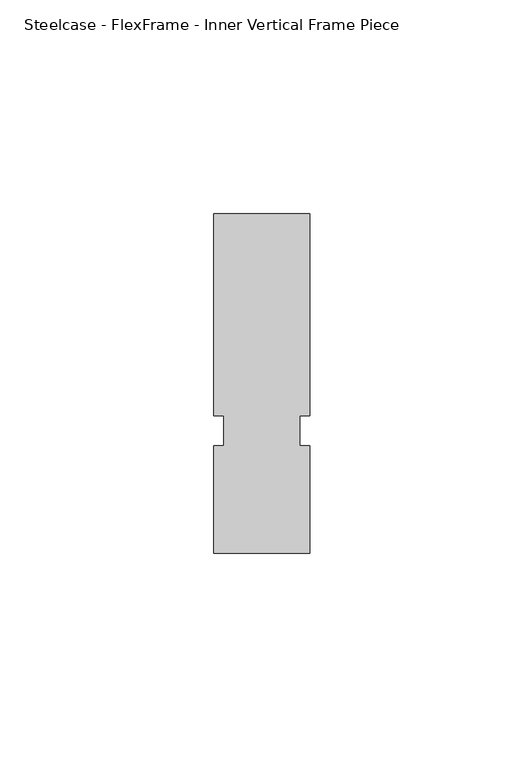
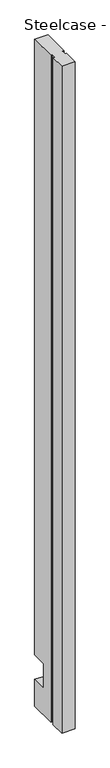
"""IFC4 building model written with IfcOpenShell, lengths in millimetres: furniture geometry, Steelcase - FlexFrame - Inner Vertical Frame Piece."""

from ifc_helpers import new_model, si_unit, origin, place, context, project, spatial, faceted_brep, source, transform, mapped, element, save


def steelcase_flexframe_inner_vertical_frame_piece_ae7e44fa(model_context):
    return source(origin(), model_context, "Body", "Brep", [
        faceted_brep([(11.176, -26.5430019, 106.0449969), (11.176, -26.5430019, 61.5950211), (-11.176, -26.5430019, 61.5950211), (-11.176, -26.5430019, 106.0449969), (-11.176, 0.0, 61.5950211), (-11.176, 0.0, 13.97), (-11.176, -47.1678331, 13.97), (-11.176, -47.1678331, 1203.706), (-11.176, 0.0, 1203.706), (-11.176, 0.0, 106.0449969), (-8.89, -47.1678331, 1203.706), (-8.89, -47.1678331, 13.97), (-8.89, -54.1527992, 1203.706), (-8.89, -54.1527992, 13.97), (-11.176, -54.1527992, 1203.706), (-11.176, -54.1527992, 13.97), (-11.176, -79.248, 1203.706), (-11.176, -79.248, 13.97), (11.176, -79.248, 1203.706), (11.176, -79.248, 13.97), (11.176, -54.1527992, 1203.706), (11.176, -54.1527992, 13.97), (8.89, -54.1527992, 1203.706), (8.89, -54.1527992, 13.97), (8.89, -47.1678331, 1203.706), (8.89, -47.1678331, 13.97), (11.176, -47.1678331, 1203.706), (11.176, -47.1678331, 13.97), (11.176, 0.0, 106.0449969), (11.176, 0.0, 1203.706), (11.176, 0.0, 13.97), (11.176, 0.0, 61.5950211)], [[[0, 1, 2, 3]], [[3, 2, 4, 5, 6, 7, 8, 9]], [[10, 7, 6, 11]], [[12, 10, 11, 13]], [[14, 12, 13, 15]], [[16, 14, 15, 17]], [[18, 16, 17, 19]], [[20, 18, 19, 21]], [[22, 20, 21, 23]], [[24, 22, 23, 25]], [[26, 24, 25, 27]], [[1, 0, 28, 29, 26, 27, 30, 31]], [[29, 8, 7, 10, 12, 14, 16, 18, 20, 22, 24, 26]], [[9, 28, 0, 3]], [[8, 29, 28, 9]], [[31, 4, 2, 1]], [[30, 27, 25, 23, 21, 19, 17, 15, 13, 11, 6, 5]], [[4, 31, 30, 5]]]),
    ])


if __name__ == "__main__":
    model = new_model("IFC4")
    model_context = context("Model", 3, world=origin())
    ifc_project = project(units=[si_unit("LENGTHUNIT", "METRE", prefix="MILLI")], contexts=[model_context])
    site = spatial("IfcSite", under=ifc_project)
    building = spatial("IfcBuilding", under=site)
    placement = place(None, origin())
    steelcase_flexframe_inner_vertical_frame_piece_shape = steelcase_flexframe_inner_vertical_frame_piece_ae7e44fa(model_context)
    element("IfcFurniture", 1, ObjectType="Steelcase - FlexFrame - Inner Vertical Frame Piece", at=placement, inside=building, context=model_context, shape_type="MappedRepresentation", body=[
        mapped(steelcase_flexframe_inner_vertical_frame_piece_shape, transform((0.0, 0.0, 0.0), x_axis=(1.0, 0.0, 0.0), y_axis=(0.0, 1.0, 0.0), z_axis=(0.0, 0.0, 1.0))),
    ])
    save(model, "model.ifc")
